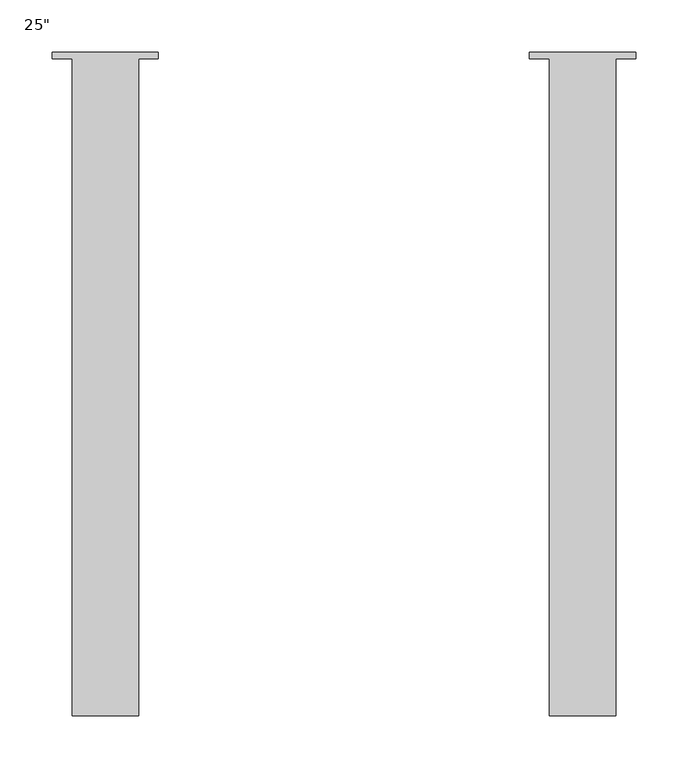
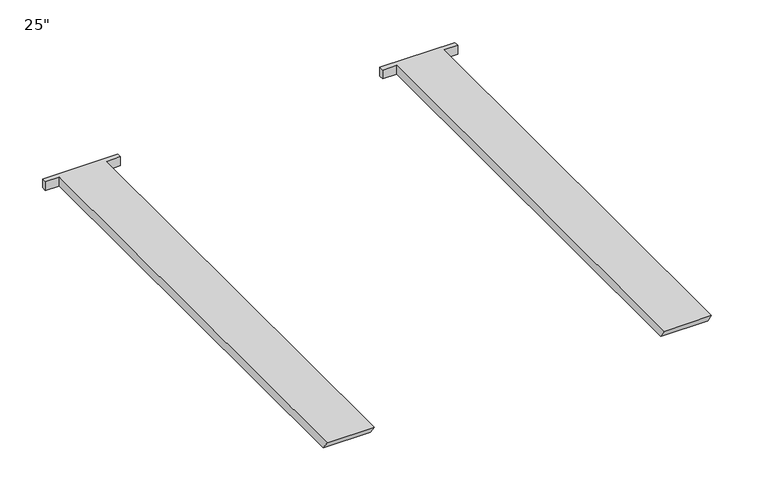
"""IFC4 building model written with IfcOpenShell, lengths in millimetres: furniture geometry."""

from ifc_helpers import new_model, si_unit, origin, place, context, project, spatial, faceted_brep, source, transform, mapped, element, save


def furniture_a7f7ad08(model_context):
    return source(origin(), model_context, "Body", "Brep", [
        faceted_brep([(539.750001, -626.1073642, 901.6999998), (539.750001, -6.35, 901.6999998), (539.750001, -6.35, 914.4), (539.750001, -635.0, 914.4), (476.249999, -626.1073642, 901.6999998), (476.249999, -635.0, 914.4), (476.249999, -6.35, 914.4), (476.249999, -6.35, 901.6999998), (457.2, -6.35, 901.6999998), (457.2, 0.0, 901.6999998), (558.8, 0.0, 901.6999998), (558.8, -6.35, 901.6999998), (558.8, -6.35, 914.4), (558.8, 0.0, 914.4), (457.2, 0.0, 914.4), (457.2, -6.35, 914.4)], [[[0, 1, 2, 3]], [[4, 5, 6, 7]], [[1, 0, 4, 7, 8, 9, 10, 11]], [[3, 2, 12, 13, 14, 15, 6, 5]], [[0, 3, 5, 4]], [[12, 11, 10, 13]], [[15, 14, 9, 8]], [[11, 12, 2, 1]], [[15, 8, 7, 6]], [[13, 10, 9, 14]]]),
        faceted_brep([(82.550001, -626.1073642, 901.6999998), (82.550001, -6.35, 901.6999998), (82.550001, -6.35, 914.4), (82.550001, -635.0, 914.4), (19.049999, -626.1073642, 901.6999998), (19.049999, -635.0, 914.4), (19.049999, -6.35, 914.4), (19.049999, -6.35, 901.6999998), (0.0, -6.35, 901.6999998), (0.0, 0.0, 901.6999998), (101.6, 0.0, 901.6999998), (101.6, -6.35, 901.6999998), (101.6, -6.35, 914.4), (101.6, 0.0, 914.4), (0.0, 0.0, 914.4), (0.0, -6.35, 914.4)], [[[0, 1, 2, 3]], [[4, 5, 6, 7]], [[1, 0, 4, 7, 8, 9, 10, 11]], [[3, 2, 12, 13, 14, 15, 6, 5]], [[0, 3, 5, 4]], [[12, 11, 10, 13]], [[15, 14, 9, 8]], [[11, 12, 2, 1]], [[15, 8, 7, 6]], [[13, 10, 9, 14]]]),
    ])


if __name__ == "__main__":
    model = new_model("IFC4")
    model_context = context("Model", 3, world=origin())
    ifc_project = project(units=[si_unit("LENGTHUNIT", "METRE", prefix="MILLI")], contexts=[model_context])
    site = spatial("IfcSite", under=ifc_project)
    building = spatial("IfcBuilding", under=site)
    placement = place(None, origin())
    furniture_shape = furniture_a7f7ad08(model_context)
    element("IfcFurniture", 1, ObjectType="25\"", at=placement, inside=building, context=model_context, shape_type="MappedRepresentation", body=[
        mapped(furniture_shape, transform((0.0, 0.0, 0.0), x_axis=(1.0, 0.0, 0.0), y_axis=(0.0, 1.0, 0.0), z_axis=(0.0, 0.0, 1.0))),
    ])
    save(model, "model.ifc")
